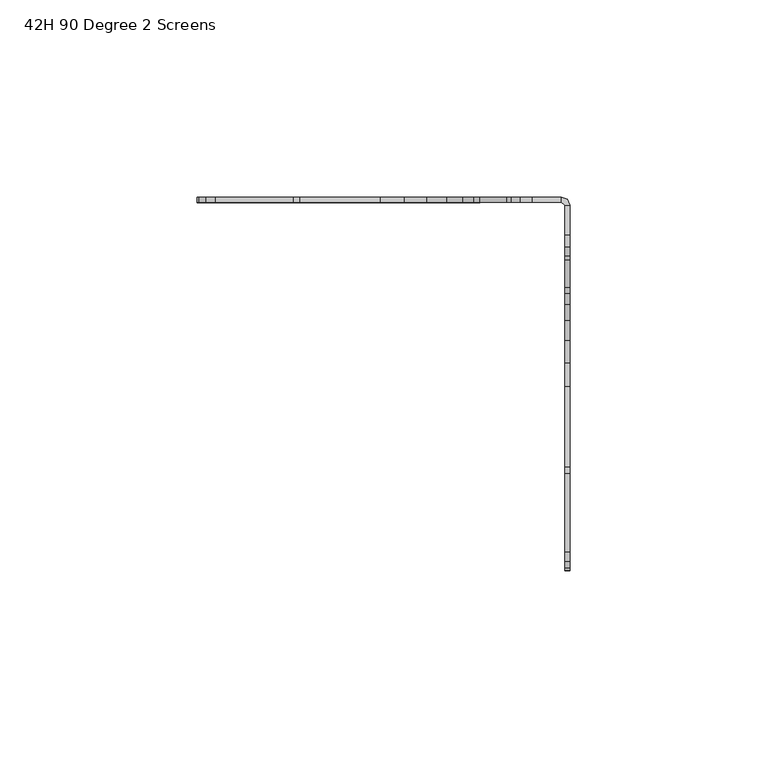
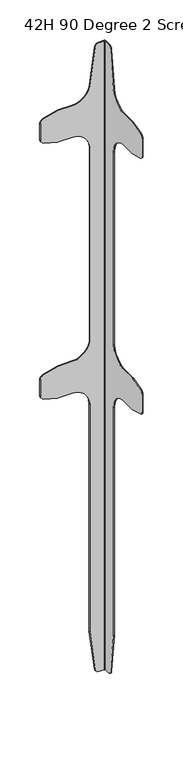
"""IFC4 building model written with IfcOpenShell, lengths in millimetres: furniture geometry, 42H 90 Degree 2 Screens."""

from ifc_helpers import new_model, si_unit, frame, origin, place, context, project, spatial, polyline, outline, extrude, source, transform, mapped, element, save


def furniture_42h_90_degree_2_screens_50a40d91(model_context):
    return source(origin(), model_context, "Body", "SweptSolid", [
        extrude(outline(polyline([(-1.4907225, 0.6174775), (0.0, 0.0), (0.6174775, -1.4907225), (-0.7033225, -1.4907225), (-1.4907225, -0.7033225), (-1.4907225, 0.6174775)])), frame((0.0, 0.0, 45.7454), z_axis=(0.0, 0.0, 1.0), x_axis=(1.0, 0.0, 0.0)), (0.0, 0.0, 1.0), 959.4087836),
        extrude(outline(polyline([(-9.0273083, 1005.1541836), (-1.4907225, 1005.1541836), (-1.4907225, 45.7454), (-9.0273083, 45.7454), (-11.9698465, 46.4683255), (-14.242389, 48.4724955), (-15.3274938, 51.3015788), (-22.6284153, 110.839301), (-22.6284153, 458.4954151), (-23.4938989, 465.0693961), (-26.0313712, 471.195403), (-30.0679049, 476.4559104), (-35.3284168, 480.4924373), (-41.4544101, 483.0299277), (-48.0284138, 483.8953909), (-67.8426204, 483.8953909), (-69.4861247, 484.1117658), (-89.3721157, 489.4402196), (-91.8103208, 490.7094372), (-93.4836743, 492.890227), (-94.0786144, 495.5738205), (-94.0786144, 520.4769516), (-93.4836743, 523.1605814), (-91.8103208, 525.3413349), (-89.3721157, 526.6105888), (-69.4861247, 531.9390427), (-67.8426204, 532.1554175), (-47.4291453, 532.1554175), (-41.3690637, 532.888912), (-35.6589948, 535.0471015), (-30.6287377, 538.5052843), (-26.5688248, 543.0637997), (-23.713746, 548.4592552), (-22.6284153, 554.3801147), (-22.6284153, 848.9441691), (-23.4938989, 855.5181864), (-26.0313712, 861.6441933), (-30.0679049, 866.9047007), (-35.3284168, 870.9412276), (-41.4544101, 873.478718), (-48.0284138, 874.3442175), (-67.8426204, 874.3442175), (-69.4861247, 874.5605561), (-89.3721157, 879.8890099), (-91.8103208, 881.1582638), (-93.4836743, 883.3390173), (-94.0786144, 886.0226471), (-94.0786144, 910.9257782), (-93.4836743, 913.609408), (-91.8103208, 915.7901616), (-89.3721157, 917.0593428), (-69.4861247, 922.3877966), (-67.8426204, 922.6042078), (-47.4291453, 922.6042078), (-41.3690637, 923.337666), (-35.6589948, 925.4958918), (-30.6287377, 928.954111), (-26.5688248, 933.5125536), (-23.713746, 938.9080819), (-22.2284034, 944.8288687), (-15.3274938, 999.5979821), (-14.242389, 1002.4270972), (-11.9698465, 1004.4312626), (-9.0273083, 1005.1541836)])), frame((-0.7033225, 0.0, 0.0), z_axis=(1.0, 0.0, 0.0), x_axis=(0.0, 1.0, 0.0)), (0.0, 0.0, 1.0), 1.3208),
        extrude(outline(polyline([(1005.1541836, -9.0273083), (1004.4312626, -11.9698465), (1002.4270972, -14.242389), (999.5979821, -15.3274938), (944.8288687, -22.2284034), (938.9080819, -23.713746), (933.5125536, -26.5688248), (928.954111, -30.6287377), (925.4958918, -35.6589948), (923.337666, -41.3690637), (922.6042078, -47.4291453), (922.6042078, -67.8426204), (922.3877966, -69.4861247), (917.0593428, -89.3721157), (915.7901616, -91.8103208), (913.609408, -93.4836743), (910.9257782, -94.0786144), (886.0226471, -94.0786144), (883.3390173, -93.4836743), (881.1582638, -91.8103208), (879.8890099, -89.3721157), (874.5605561, -69.0861128), (874.3442175, -67.4426085), (874.3442175, -47.6284019), (873.478718, -41.0543982), (870.9412276, -34.9284049), (866.9047007, -29.667893), (861.6441933, -25.6313593), (855.5181864, -23.093887), (848.9441691, -22.2284034), (554.3801147, -22.2284034), (548.4592552, -23.713746), (543.0637997, -26.5688248), (538.5052843, -30.6287377), (535.0471015, -35.6589948), (532.888912, -41.3690637), (532.1554175, -47.4291453), (532.1554175, -67.8426204), (531.9390427, -69.4861247), (526.6105888, -89.3721157), (525.3413349, -91.8103208), (523.1605814, -93.4836743), (520.4769516, -94.0786144), (495.5738205, -94.0786144), (492.890227, -93.4836743), (490.7094372, -91.8103208), (489.4402196, -89.3721157), (484.1117658, -69.4861247), (483.8953909, -67.8426204), (483.8953909, -48.0284138), (483.0299277, -41.4544101), (480.4924373, -35.3284168), (476.4559104, -30.0679049), (471.195403, -26.0313712), (465.0693961, -23.4938989), (458.4954151, -22.6284153), (110.839301, -22.6284153), (51.3015788, -15.3274938), (48.4724955, -14.242389), (46.4683255, -11.9698465), (45.7454, -9.0273083), (45.7454, -1.4907225), (1005.1541836, -1.4907225), (1005.1541836, -9.0273083)])), frame((0.0, -0.7033225, 0.0), z_axis=(0.0, 1.0, 0.0), x_axis=(0.0, 0.0, 1.0)), (0.0, 0.0, 1.0), 1.3208),
    ])


if __name__ == "__main__":
    model = new_model("IFC4")
    model_context = context("Model", 3, world=origin())
    ifc_project = project(units=[si_unit("LENGTHUNIT", "METRE", prefix="MILLI")], contexts=[model_context])
    site = spatial("IfcSite", under=ifc_project)
    building = spatial("IfcBuilding", under=site)
    placement = place(None, origin())
    furniture_42h_90_degree_2_screens_shape = furniture_42h_90_degree_2_screens_50a40d91(model_context)
    element("IfcFurniture", 1, ObjectType="42H 90 Degree 2 Screens", at=placement, inside=building, context=model_context, shape_type="MappedRepresentation", body=[
        mapped(furniture_42h_90_degree_2_screens_shape, transform((0.0, 0.0, 0.0), x_axis=(1.0, 0.0, 0.0), y_axis=(0.0, 1.0, 0.0), z_axis=(0.0, 0.0, 1.0))),
    ])
    save(model, "model.ifc")
